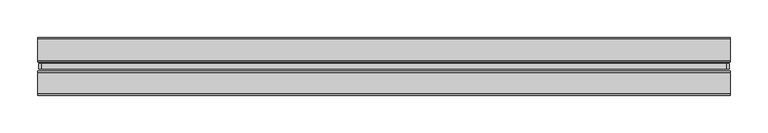
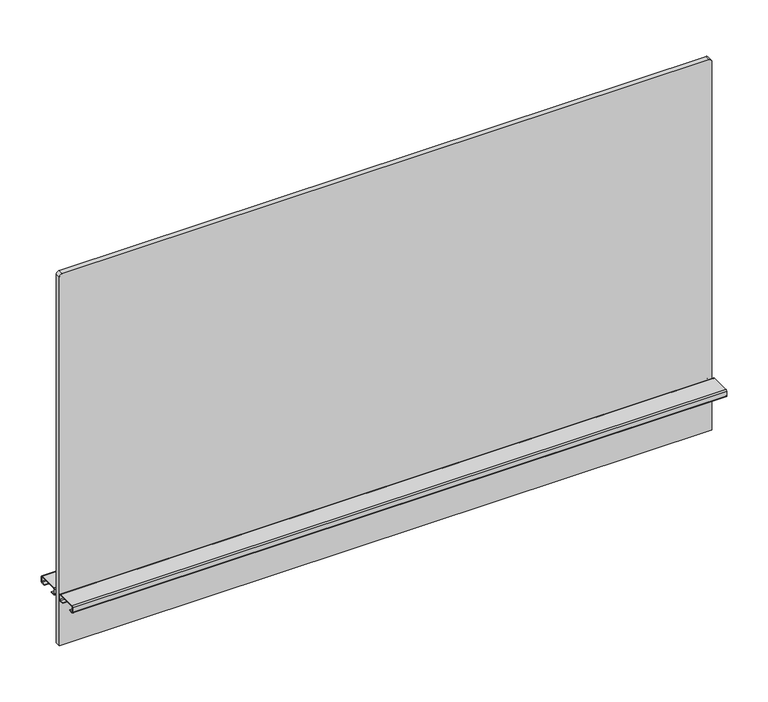
"""IFC4 building model written with IfcOpenShell, lengths in millimetres: furniture geometry."""

from ifc_helpers import new_model, si_unit, point, frame, frame_2d, origin, place, context, project, spatial, polyline, circle_curve, trimmed, segment, composite_curve, outline, extrude, source, transform, mapped, element, save


def furniture_6fd3dc5a(model_context):
    return source(origin(), model_context, "Body", "SweptSolid", [
        extrude(outline(composite_curve([segment(polyline([(1239.367613, 452.12), (1239.367613, -452.12)]), True, "CONTINUOUS"), segment(trimmed(circle_curve(frame_2d((1235.557613, -452.12)), 3.81), [point((1239.367613, -452.12))], [point((1235.557613, -455.93))], False, "CARTESIAN"), True, "CONTINUOUS"), segment(polyline([(1235.557613, -455.93), (689.965613, -455.93), (689.965613, 455.93), (1235.557613, 455.93)]), True, "CONTINUOUS"), segment(trimmed(circle_curve(frame_2d((1235.557613, 452.12)), 3.81), [point((1235.557613, 455.93))], [point((1239.367613, 452.12))], False, "CARTESIAN"), True, "CONTINUOUS")], self_intersect=False)), frame((0.0, -3.683001, 0.0), z_axis=(0.0, 1.0, 0.0), x_axis=(0.0, 0.0, 1.0)), (0.0, 0.0, 1.0), 7.3660021),
        extrude(outline(composite_curve([segment(polyline([(8.1724496, 769.2644064), (36.0679996, 769.2644064)]), True, "CONTINUOUS"), segment(trimmed(circle_curve(frame_2d((36.0679996, 767.2324064)), 2.032), [point((36.0679996, 769.2644064))], [point((38.0999996, 767.2324064))], False, "CARTESIAN"), True, "CONTINUOUS"), segment(polyline([(38.0999996, 767.2324064), (38.0999996, 761.1364161)]), True, "CONTINUOUS"), segment(trimmed(circle_curve(frame_2d((36.0679996, 761.1364161)), 2.032), [point((38.0999996, 761.1364161))], [point((36.0679996, 759.1044161))], False, "CARTESIAN"), True, "CONTINUOUS"), segment(polyline([(36.0679996, 759.1044161), (30.7784504, 759.1044161), (30.7784504, 760.0187498), (36.1695996, 760.0187498)]), True, "CONTINUOUS"), segment(trimmed(circle_curve(frame_2d((36.1695996, 761.0347498)), 1.016), [point((36.1695996, 760.0187498))], [point((37.1855996, 761.0347498))], True, "CARTESIAN"), True, "CONTINUOUS"), segment(polyline([(37.1855996, 761.0347498), (37.1855996, 767.334)]), True, "CONTINUOUS"), segment(trimmed(circle_curve(frame_2d((36.1695996, 767.334)), 1.016), [point((37.1855996, 767.334))], [point((36.1695996, 768.35))], True, "CARTESIAN"), True, "CONTINUOUS"), segment(polyline([(36.1695996, 768.35), (8.0708496, 768.35)]), True, "CONTINUOUS"), segment(trimmed(circle_curve(frame_2d((8.0708496, 767.334)), 1.016), [point((8.0708496, 768.35))], [point((7.0548496, 767.334))], True, "CARTESIAN"), True, "CONTINUOUS"), segment(polyline([(7.0548496, 767.334), (7.0548496, 761.0347498)]), True, "CONTINUOUS"), segment(trimmed(circle_curve(frame_2d((8.0708496, 761.0347498)), 1.016), [point((7.0548496, 761.0347498))], [point((8.0708496, 760.0187498))], True, "CARTESIAN"), True, "CONTINUOUS"), segment(polyline([(8.0708496, 760.0187498), (13.4619988, 760.0187498), (13.4619988, 759.1044161), (8.1724496, 759.1044161)]), True, "CONTINUOUS"), segment(trimmed(circle_curve(frame_2d((8.1724496, 761.1364161)), 2.032), [point((8.1724496, 759.1044161))], [point((6.1404496, 761.1364161))], False, "CARTESIAN"), True, "CONTINUOUS"), segment(polyline([(6.1404496, 761.1364161), (6.1404496, 767.2324064)]), True, "CONTINUOUS"), segment(trimmed(circle_curve(frame_2d((8.1724496, 767.2324064)), 2.032), [point((6.1404496, 767.2324064))], [point((8.1724496, 769.2644064))], False, "CARTESIAN"), True, "CONTINUOUS")], self_intersect=False)), frame((-457.2, 0.0, 0.0), z_axis=(1.0, 0.0, 0.0), x_axis=(0.0, 1.0, 0.0)), (0.0, 0.0, 1.0), 914.4),
        extrude(outline(composite_curve([segment(trimmed(circle_curve(frame_2d((-8.1724496, 767.2324064)), 2.032), [point((-8.1724496, 769.2644064))], [point((-6.1404496, 767.2324064))], False, "CARTESIAN"), True, "CONTINUOUS"), segment(polyline([(-6.1404496, 767.2324064), (-6.1404496, 761.1364161)]), True, "CONTINUOUS"), segment(trimmed(circle_curve(frame_2d((-8.1724496, 761.1364161)), 2.032), [point((-6.1404496, 761.1364161))], [point((-8.1724496, 759.1044161))], False, "CARTESIAN"), True, "CONTINUOUS"), segment(polyline([(-8.1724496, 759.1044161), (-13.4619988, 759.1044161), (-13.4619988, 760.0187498), (-8.0708496, 760.0187498)]), True, "CONTINUOUS"), segment(trimmed(circle_curve(frame_2d((-8.0708496, 761.0347498)), 1.016), [point((-8.0708496, 760.0187498))], [point((-7.0548496, 761.0347498))], True, "CARTESIAN"), True, "CONTINUOUS"), segment(polyline([(-7.0548496, 761.0347498), (-7.0548496, 767.334)]), True, "CONTINUOUS"), segment(trimmed(circle_curve(frame_2d((-8.0708496, 767.334)), 1.016), [point((-7.0548496, 767.334))], [point((-8.0708496, 768.35))], True, "CARTESIAN"), True, "CONTINUOUS"), segment(polyline([(-8.0708496, 768.35), (-36.1695996, 768.35)]), True, "CONTINUOUS"), segment(trimmed(circle_curve(frame_2d((-36.1695996, 767.334)), 1.016), [point((-36.1695996, 768.35))], [point((-37.1855996, 767.334))], True, "CARTESIAN"), True, "CONTINUOUS"), segment(polyline([(-37.1855996, 767.334), (-37.1855996, 761.0347498)]), True, "CONTINUOUS"), segment(trimmed(circle_curve(frame_2d((-36.1695996, 761.0347498)), 1.016), [point((-37.1855996, 761.0347498))], [point((-36.1695996, 760.0187498))], True, "CARTESIAN"), True, "CONTINUOUS"), segment(polyline([(-36.1695996, 760.0187498), (-30.7784504, 760.0187498), (-30.7784504, 759.1044161), (-36.0679996, 759.1044161)]), True, "CONTINUOUS"), segment(trimmed(circle_curve(frame_2d((-36.0679996, 761.1364161)), 2.032), [point((-36.0679996, 759.1044161))], [point((-38.0999996, 761.1364161))], False, "CARTESIAN"), True, "CONTINUOUS"), segment(polyline([(-38.0999996, 761.1364161), (-38.0999996, 767.2324064)]), True, "CONTINUOUS"), segment(trimmed(circle_curve(frame_2d((-36.0679996, 767.2324064)), 2.032), [point((-38.0999996, 767.2324064))], [point((-36.0679996, 769.2644064))], False, "CARTESIAN"), True, "CONTINUOUS"), segment(polyline([(-36.0679996, 769.2644064), (-8.1724496, 769.2644064)]), True, "CONTINUOUS")], self_intersect=False)), frame((-457.2, 0.0, 0.0), z_axis=(1.0, 0.0, 0.0), x_axis=(0.0, 1.0, 0.0)), (0.0, 0.0, 1.0), 914.4),
    ])


if __name__ == "__main__":
    model = new_model("IFC4")
    model_context = context("Model", 3, world=origin())
    ifc_project = project(units=[si_unit("LENGTHUNIT", "METRE", prefix="MILLI")], contexts=[model_context])
    site = spatial("IfcSite", under=ifc_project)
    building = spatial("IfcBuilding", under=site)
    placement = place(None, origin())
    furniture_shape = furniture_6fd3dc5a(model_context)
    element("IfcFurniture", 1, at=placement, inside=building, context=model_context, shape_type="MappedRepresentation", body=[
        mapped(furniture_shape, transform((0.0, 0.0, 0.0), x_axis=(1.0, 0.0, 0.0), y_axis=(0.0, 1.0, 0.0), z_axis=(0.0, 0.0, 1.0))),
    ])
    save(model, "model.ifc")
